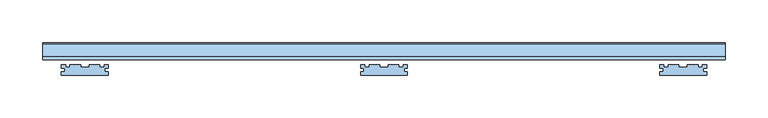
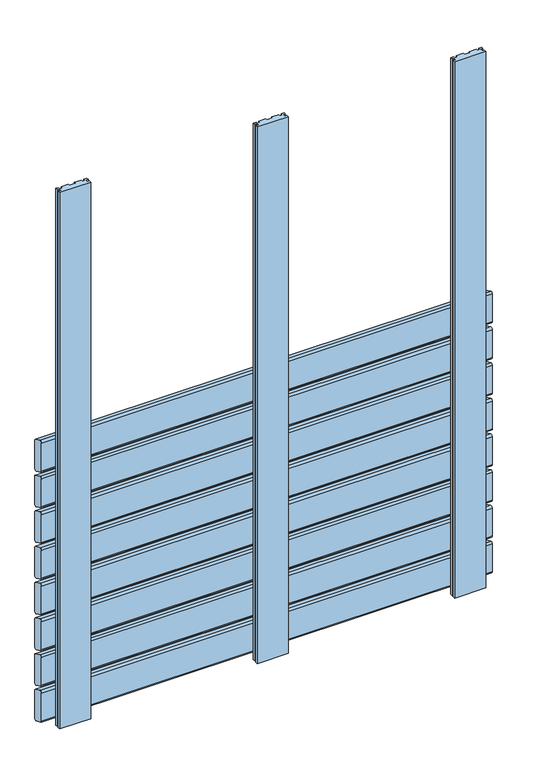
"""IFC4 building model written with IfcOpenShell, lengths in millimetres: window geometry."""

from ifc_helpers import new_model, si_unit, frame, origin, place, context, project, spatial, polyline, circle_curve, outline, extrude, source, transform, mapped, element, save
from ifc_brep_helpers import plane_surface, cylinder_surface, advanced_brep


def window_c9335974(model_context):
    return source(origin(), model_context, "Body", "SolidModel", [
        advanced_brep(
        [(400.0, 60.0028013, 580.5270549), (400.0, 61.7349465, 577.8081315), (400.0, 75.7322609, 571.2810766), (400.0, 80.0, 573.9736586), (400.0, 80.0, 626.574129), (400.0, 78.9038327, 628.8926244), (400.0, 64.1873858, 635.7550163), (400.0, 60.0, 633.0), (-400.0, 60.0, 580.5270549), (-400.0, 60.0, 633.0), (-400.0, 64.1873858, 635.7550163), (-400.0, 78.9038327, 628.8926244), (-400.0, 80.0, 626.574129), (-400.0, 80.0, 573.9736586), (-400.0, 75.7322609, 571.2810766), (-400.0, 61.7349465, 577.8081315)],
        [
            (0, 1, circle_curve(frame((400.0, 63.0028013, 580.5270549), z_axis=(1.0, 0.0, 0.0), x_axis=(0.0, -0.422245314833475, -0.9064816016341312)), 3.0)),
            (1, 2),
            (2, 3, circle_curve(frame((400.0, 77.0001156, 574.0), z_axis=(1.0, 0.0, 0.0), x_axis=(0.0, 1.0, 0.0)), 3.0)),
            (3, 4),
            (4, 5, circle_curve(frame((400.0, 77.0, 626.574129), z_axis=(1.0, 0.0, 0.0), x_axis=(0.0, 0.4172998244673827, 0.908768868579625)), 3.0)),
            (5, 6),
            (6, 7, circle_curve(frame((400.0, 63.0, 633.0), z_axis=(1.0, 0.0, 0.0), x_axis=(0.0, -1.0, 0.0)), 3.0)),
            (7, 0),
            (8, 9),
            (9, 10, circle_curve(frame((-400.0, 63.0, 633.0), z_axis=(-1.0, 0.0, 0.0), x_axis=(0.0, -1.0, 0.0)), 3.0)),
            (10, 11),
            (11, 12, circle_curve(frame((-400.0, 77.0, 626.574129), z_axis=(-1.0, 0.0, 0.0), x_axis=(0.0, 0.4172998244673827, 0.908768868579625)), 3.0)),
            (12, 13),
            (13, 14, circle_curve(frame((-400.0, 77.0001156, 574.0), z_axis=(-1.0, 0.0, 0.0), x_axis=(0.0, 1.0, 0.0)), 3.0)),
            (14, 15),
            (15, 8, circle_curve(frame((-400.0, 63.0028013, 580.5270549), z_axis=(-1.0, 0.0, 0.0), x_axis=(0.0, -0.422245314833475, -0.9064816016341312)), 3.0)),
            (0, 8),
            (15, 1),
            (14, 2),
            (13, 3),
            (12, 4),
            (11, 5),
            (10, 6),
            (9, 7),
        ],
        [
            plane_surface(frame((400.0, 100.0, 603.5), z_axis=(1.0, 0.0, 0.0), x_axis=(0.0, 0.0, 1.0))),
            plane_surface(frame((-400.0, 100.0, 603.5), z_axis=(-1.0, 0.0, 0.0), x_axis=(0.0, 0.0, 1.0))),
            cylinder_surface(frame((400.0, 63.0028013, 580.5270549), z_axis=(1.0, 0.0, 0.0), x_axis=(0.0, -0.422245314833475, -0.9064816016341312)), 3.0),
            plane_surface(frame((400.0, 61.7349465, 577.8081315), z_axis=(0.0, -0.4226182617407, -0.9063077870366497), x_axis=(-1.0, 0.0, 0.0))),
            cylinder_surface(frame((400.0, 77.0001156, 574.0), z_axis=(1.0, 0.0, 0.0), x_axis=(0.0, 1.0, 0.0)), 3.0),
            plane_surface(frame((400.0, 80.0, 573.9736586), z_axis=(0.0, 1.0, 0.0), x_axis=(-1.0, 0.0, 0.0))),
            cylinder_surface(frame((400.0, 77.0, 626.574129), z_axis=(1.0000000000000002, 0.0, 0.0), x_axis=(0.0, 0.4172998244673827, 0.908768868579625)), 3.0),
            plane_surface(frame((400.0, 78.9038327, 628.8926244), z_axis=(0.0, 0.4226182617406934, 0.9063077870366529), x_axis=(-1.0, 0.0, 0.0))),
            cylinder_surface(frame((400.0, 63.0, 633.0), z_axis=(1.0, 0.0, 0.0), x_axis=(0.0, -1.0, 0.0)), 3.0),
            plane_surface(frame((400.0, 60.0, 633.0), z_axis=(0.0, -1.0, 0.0), x_axis=(-1.0, 0.0, 0.0))),
        ],
        [
            (0, [[1, 2, 3, 4, 5, 6, 7, 8]]),
            (1, [[9, 10, 11, 12, 13, 14, 15, 16]]),
            (2, [[-1, 17, -16, 18]]),
            (3, [[-2, -18, -15, 19]]),
            (4, [[-3, -19, -14, 20]]),
            (5, [[-4, -20, -13, 21]]),
            (6, [[-5, -21, -12, 22]]),
            (7, [[-6, -22, -11, 23]]),
            (8, [[-7, -23, -10, 24]]),
            (9, [[-8, -24, -9, -17]]),
        ],
    ),
        advanced_brep(
        [(400.0, 60.0028013, 513.5270549), (400.0, 61.7349465, 510.8081315), (400.0, 75.7322609, 504.2810766), (400.0, 80.0, 506.9736586), (400.0, 80.0, 559.574129), (400.0, 78.9038327, 561.8926244), (400.0, 64.1873858, 568.7550163), (400.0, 60.0, 566.0), (-400.0, 60.0, 513.5270549), (-400.0, 60.0, 566.0), (-400.0, 64.1873858, 568.7550163), (-400.0, 78.9038327, 561.8926244), (-400.0, 80.0, 559.574129), (-400.0, 80.0, 506.9736586), (-400.0, 75.7322609, 504.2810766), (-400.0, 61.7349465, 510.8081315)],
        [
            (0, 1, circle_curve(frame((400.0, 63.0028013, 513.5270549), z_axis=(1.0, 0.0, 0.0), x_axis=(0.0, -0.422245314833475, -0.9064816016341312)), 3.0)),
            (1, 2),
            (2, 3, circle_curve(frame((400.0, 77.0001156, 507.0), z_axis=(1.0, 0.0, 0.0), x_axis=(0.0, 1.0, 0.0)), 3.0)),
            (3, 4),
            (4, 5, circle_curve(frame((400.0, 77.0, 559.574129), z_axis=(1.0, 0.0, 0.0), x_axis=(0.0, 0.4172998244673827, 0.908768868579625)), 3.0)),
            (5, 6),
            (6, 7, circle_curve(frame((400.0, 63.0, 566.0), z_axis=(1.0, 0.0, 0.0), x_axis=(0.0, -1.0, 0.0)), 3.0)),
            (7, 0),
            (8, 9),
            (9, 10, circle_curve(frame((-400.0, 63.0, 566.0), z_axis=(-1.0, 0.0, 0.0), x_axis=(0.0, -1.0, 0.0)), 3.0)),
            (10, 11),
            (11, 12, circle_curve(frame((-400.0, 77.0, 559.574129), z_axis=(-1.0, 0.0, 0.0), x_axis=(0.0, 0.4172998244673827, 0.908768868579625)), 3.0)),
            (12, 13),
            (13, 14, circle_curve(frame((-400.0, 77.0001156, 507.0), z_axis=(-1.0, 0.0, 0.0), x_axis=(0.0, 1.0, 0.0)), 3.0)),
            (14, 15),
            (15, 8, circle_curve(frame((-400.0, 63.0028013, 513.5270549), z_axis=(-1.0, 0.0, 0.0), x_axis=(0.0, -0.422245314833475, -0.9064816016341312)), 3.0)),
            (0, 8),
            (15, 1),
            (14, 2),
            (13, 3),
            (12, 4),
            (11, 5),
            (10, 6),
            (9, 7),
        ],
        [
            plane_surface(frame((400.0, 100.0, 536.5), z_axis=(1.0, 0.0, 0.0), x_axis=(0.0, 0.0, 1.0))),
            plane_surface(frame((-400.0, 100.0, 536.5), z_axis=(-1.0, 0.0, 0.0), x_axis=(0.0, 0.0, 1.0))),
            cylinder_surface(frame((400.0, 63.0028013, 513.5270549), z_axis=(1.0, 0.0, 0.0), x_axis=(0.0, -0.422245314833475, -0.9064816016341312)), 3.0),
            plane_surface(frame((400.0, 61.7349465, 510.8081315), z_axis=(0.0, -0.4226182617407, -0.9063077870366497), x_axis=(-1.0, 0.0, 0.0))),
            cylinder_surface(frame((400.0, 77.0001156, 507.0), z_axis=(1.0, 0.0, 0.0), x_axis=(0.0, 1.0, 0.0)), 3.0),
            plane_surface(frame((400.0, 80.0, 506.9736586), z_axis=(0.0, 1.0, 0.0), x_axis=(-1.0, 0.0, 0.0))),
            cylinder_surface(frame((400.0, 77.0, 559.574129), z_axis=(1.0000000000000002, 0.0, 0.0), x_axis=(0.0, 0.4172998244673827, 0.908768868579625)), 3.0),
            plane_surface(frame((400.0, 78.9038327, 561.8926244), z_axis=(0.0, 0.4226182617406934, 0.9063077870366529), x_axis=(-1.0, 0.0, 0.0))),
            cylinder_surface(frame((400.0, 63.0, 566.0), z_axis=(1.0, 0.0, 0.0), x_axis=(0.0, -1.0, 0.0)), 3.0),
            plane_surface(frame((400.0, 60.0, 566.0), z_axis=(0.0, -1.0, 0.0), x_axis=(-1.0, 0.0, 0.0))),
        ],
        [
            (0, [[1, 2, 3, 4, 5, 6, 7, 8]]),
            (1, [[9, 10, 11, 12, 13, 14, 15, 16]]),
            (2, [[-1, 17, -16, 18]]),
            (3, [[-2, -18, -15, 19]]),
            (4, [[-3, -19, -14, 20]]),
            (5, [[-4, -20, -13, 21]]),
            (6, [[-5, -21, -12, 22]]),
            (7, [[-6, -22, -11, 23]]),
            (8, [[-7, -23, -10, 24]]),
            (9, [[-8, -24, -9, -17]]),
        ],
    ),
        advanced_brep(
        [(400.0, 60.0028013, 446.5270549), (400.0, 61.7349465, 443.8081315), (400.0, 75.7322609, 437.2810766), (400.0, 80.0, 439.9736586), (400.0, 80.0, 492.574129), (400.0, 78.9038327, 494.8926244), (400.0, 64.1873858, 501.7550163), (400.0, 60.0, 499.0), (-400.0, 60.0, 446.5270549), (-400.0, 60.0, 499.0), (-400.0, 64.1873858, 501.7550163), (-400.0, 78.9038327, 494.8926244), (-400.0, 80.0, 492.574129), (-400.0, 80.0, 439.9736586), (-400.0, 75.7322609, 437.2810766), (-400.0, 61.7349465, 443.8081315)],
        [
            (0, 1, circle_curve(frame((400.0, 63.0028013, 446.5270549), z_axis=(1.0, 0.0, 0.0), x_axis=(0.0, -0.422245314833475, -0.9064816016341312)), 3.0)),
            (1, 2),
            (2, 3, circle_curve(frame((400.0, 77.0001156, 440.0), z_axis=(1.0, 0.0, 0.0), x_axis=(0.0, 1.0, 0.0)), 3.0)),
            (3, 4),
            (4, 5, circle_curve(frame((400.0, 77.0, 492.574129), z_axis=(1.0, 0.0, 0.0), x_axis=(0.0, 0.4172998244673827, 0.908768868579625)), 3.0)),
            (5, 6),
            (6, 7, circle_curve(frame((400.0, 63.0, 499.0), z_axis=(1.0, 0.0, 0.0), x_axis=(0.0, -1.0, 0.0)), 3.0)),
            (7, 0),
            (8, 9),
            (9, 10, circle_curve(frame((-400.0, 63.0, 499.0), z_axis=(-1.0, 0.0, 0.0), x_axis=(0.0, -1.0, 0.0)), 3.0)),
            (10, 11),
            (11, 12, circle_curve(frame((-400.0, 77.0, 492.574129), z_axis=(-1.0, 0.0, 0.0), x_axis=(0.0, 0.4172998244673827, 0.908768868579625)), 3.0)),
            (12, 13),
            (13, 14, circle_curve(frame((-400.0, 77.0001156, 440.0), z_axis=(-1.0, 0.0, 0.0), x_axis=(0.0, 1.0, 0.0)), 3.0)),
            (14, 15),
            (15, 8, circle_curve(frame((-400.0, 63.0028013, 446.5270549), z_axis=(-1.0, 0.0, 0.0), x_axis=(0.0, -0.422245314833475, -0.9064816016341312)), 3.0)),
            (0, 8),
            (15, 1),
            (14, 2),
            (13, 3),
            (12, 4),
            (11, 5),
            (10, 6),
            (9, 7),
        ],
        [
            plane_surface(frame((400.0, 100.0, 469.5), z_axis=(1.0, 0.0, 0.0), x_axis=(0.0, 0.0, 1.0))),
            plane_surface(frame((-400.0, 100.0, 469.5), z_axis=(-1.0, 0.0, 0.0), x_axis=(0.0, 0.0, 1.0))),
            cylinder_surface(frame((400.0, 63.0028013, 446.5270549), z_axis=(1.0, 0.0, 0.0), x_axis=(0.0, -0.422245314833475, -0.9064816016341312)), 3.0),
            plane_surface(frame((400.0, 61.7349465, 443.8081315), z_axis=(0.0, -0.4226182617407, -0.9063077870366497), x_axis=(-1.0, 0.0, 0.0))),
            cylinder_surface(frame((400.0, 77.0001156, 440.0), z_axis=(1.0, 0.0, 0.0), x_axis=(0.0, 1.0, 0.0)), 3.0),
            plane_surface(frame((400.0, 80.0, 439.9736586), z_axis=(0.0, 1.0, 0.0), x_axis=(-1.0, 0.0, 0.0))),
            cylinder_surface(frame((400.0, 77.0, 492.574129), z_axis=(1.0000000000000002, 0.0, 0.0), x_axis=(0.0, 0.4172998244673827, 0.908768868579625)), 3.0),
            plane_surface(frame((400.0, 78.9038327, 494.8926244), z_axis=(0.0, 0.4226182617406934, 0.9063077870366529), x_axis=(-1.0, 0.0, 0.0))),
            cylinder_surface(frame((400.0, 63.0, 499.0), z_axis=(1.0, 0.0, 0.0), x_axis=(0.0, -1.0, 0.0)), 3.0),
            plane_surface(frame((400.0, 60.0, 499.0), z_axis=(0.0, -1.0, 0.0), x_axis=(-1.0, 0.0, 0.0))),
        ],
        [
            (0, [[1, 2, 3, 4, 5, 6, 7, 8]]),
            (1, [[9, 10, 11, 12, 13, 14, 15, 16]]),
            (2, [[-1, 17, -16, 18]]),
            (3, [[-2, -18, -15, 19]]),
            (4, [[-3, -19, -14, 20]]),
            (5, [[-4, -20, -13, 21]]),
            (6, [[-5, -21, -12, 22]]),
            (7, [[-6, -22, -11, 23]]),
            (8, [[-7, -23, -10, 24]]),
            (9, [[-8, -24, -9, -17]]),
        ],
    ),
        advanced_brep(
        [(400.0, 60.0028013, 379.5270549), (400.0, 61.7349465, 376.8081315), (400.0, 75.7322609, 370.2810766), (400.0, 80.0, 372.9736586), (400.0, 80.0, 425.574129), (400.0, 78.9038327, 427.8926244), (400.0, 64.1873858, 434.7550163), (400.0, 60.0, 432.0), (-400.0, 60.0, 379.5270549), (-400.0, 60.0, 432.0), (-400.0, 64.1873858, 434.7550163), (-400.0, 78.9038327, 427.8926244), (-400.0, 80.0, 425.574129), (-400.0, 80.0, 372.9736586), (-400.0, 75.7322609, 370.2810766), (-400.0, 61.7349465, 376.8081315)],
        [
            (0, 1, circle_curve(frame((400.0, 63.0028013, 379.5270549), z_axis=(1.0, 0.0, 0.0), x_axis=(0.0, -0.422245314833475, -0.9064816016341312)), 3.0)),
            (1, 2),
            (2, 3, circle_curve(frame((400.0, 77.0001156, 373.0), z_axis=(1.0, 0.0, 0.0), x_axis=(0.0, 1.0, 0.0)), 3.0)),
            (3, 4),
            (4, 5, circle_curve(frame((400.0, 77.0, 425.574129), z_axis=(1.0, 0.0, 0.0), x_axis=(0.0, 0.4172998244673827, 0.908768868579625)), 3.0)),
            (5, 6),
            (6, 7, circle_curve(frame((400.0, 63.0, 432.0), z_axis=(1.0, 0.0, 0.0), x_axis=(0.0, -1.0, 0.0)), 3.0)),
            (7, 0),
            (8, 9),
            (9, 10, circle_curve(frame((-400.0, 63.0, 432.0), z_axis=(-1.0, 0.0, 0.0), x_axis=(0.0, -1.0, 0.0)), 3.0)),
            (10, 11),
            (11, 12, circle_curve(frame((-400.0, 77.0, 425.574129), z_axis=(-1.0, 0.0, 0.0), x_axis=(0.0, 0.4172998244673827, 0.908768868579625)), 3.0)),
            (12, 13),
            (13, 14, circle_curve(frame((-400.0, 77.0001156, 373.0), z_axis=(-1.0, 0.0, 0.0), x_axis=(0.0, 1.0, 0.0)), 3.0)),
            (14, 15),
            (15, 8, circle_curve(frame((-400.0, 63.0028013, 379.5270549), z_axis=(-1.0, 0.0, 0.0), x_axis=(0.0, -0.422245314833475, -0.9064816016341312)), 3.0)),
            (0, 8),
            (15, 1),
            (14, 2),
            (13, 3),
            (12, 4),
            (11, 5),
            (10, 6),
            (9, 7),
        ],
        [
            plane_surface(frame((400.0, 100.0, 402.5), z_axis=(1.0, 0.0, 0.0), x_axis=(0.0, 0.0, 1.0))),
            plane_surface(frame((-400.0, 100.0, 402.5), z_axis=(-1.0, 0.0, 0.0), x_axis=(0.0, 0.0, 1.0))),
            cylinder_surface(frame((400.0, 63.0028013, 379.5270549), z_axis=(1.0, 0.0, 0.0), x_axis=(0.0, -0.422245314833475, -0.9064816016341312)), 3.0),
            plane_surface(frame((400.0, 61.7349465, 376.8081315), z_axis=(0.0, -0.4226182617407, -0.9063077870366497), x_axis=(-1.0, 0.0, 0.0))),
            cylinder_surface(frame((400.0, 77.0001156, 373.0), z_axis=(1.0, 0.0, 0.0), x_axis=(0.0, 1.0, 0.0)), 3.0),
            plane_surface(frame((400.0, 80.0, 372.9736586), z_axis=(0.0, 1.0, 0.0), x_axis=(-1.0, 0.0, 0.0))),
            cylinder_surface(frame((400.0, 77.0, 425.574129), z_axis=(1.0000000000000002, 0.0, 0.0), x_axis=(0.0, 0.4172998244673827, 0.908768868579625)), 3.0),
            plane_surface(frame((400.0, 78.9038327, 427.8926244), z_axis=(0.0, 0.4226182617406934, 0.9063077870366529), x_axis=(-1.0, 0.0, 0.0))),
            cylinder_surface(frame((400.0, 63.0, 432.0), z_axis=(1.0, 0.0, 0.0), x_axis=(0.0, -1.0, 0.0)), 3.0),
            plane_surface(frame((400.0, 60.0, 432.0), z_axis=(0.0, -1.0, 0.0), x_axis=(-1.0, 0.0, 0.0))),
        ],
        [
            (0, [[1, 2, 3, 4, 5, 6, 7, 8]]),
            (1, [[9, 10, 11, 12, 13, 14, 15, 16]]),
            (2, [[-1, 17, -16, 18]]),
            (3, [[-2, -18, -15, 19]]),
            (4, [[-3, -19, -14, 20]]),
            (5, [[-4, -20, -13, 21]]),
            (6, [[-5, -21, -12, 22]]),
            (7, [[-6, -22, -11, 23]]),
            (8, [[-7, -23, -10, 24]]),
            (9, [[-8, -24, -9, -17]]),
        ],
    ),
        advanced_brep(
        [(400.0, 60.0028013, 312.5270549), (400.0, 61.7349465, 309.8081315), (400.0, 75.7322609, 303.2810766), (400.0, 80.0, 305.9736586), (400.0, 80.0, 358.574129), (400.0, 78.9038327, 360.8926244), (400.0, 64.1873858, 367.7550163), (400.0, 60.0, 365.0), (-400.0, 60.0, 312.5270549), (-400.0, 60.0, 365.0), (-400.0, 64.1873858, 367.7550163), (-400.0, 78.9038327, 360.8926244), (-400.0, 80.0, 358.574129), (-400.0, 80.0, 305.9736586), (-400.0, 75.7322609, 303.2810766), (-400.0, 61.7349465, 309.8081315)],
        [
            (0, 1, circle_curve(frame((400.0, 63.0028013, 312.5270549), z_axis=(1.0, 0.0, 0.0), x_axis=(0.0, -0.422245314833475, -0.9064816016341312)), 3.0)),
            (1, 2),
            (2, 3, circle_curve(frame((400.0, 77.0001156, 306.0), z_axis=(1.0, 0.0, 0.0), x_axis=(0.0, 1.0, 0.0)), 3.0)),
            (3, 4),
            (4, 5, circle_curve(frame((400.0, 77.0, 358.574129), z_axis=(1.0, 0.0, 0.0), x_axis=(0.0, 0.4172998244673827, 0.908768868579625)), 3.0)),
            (5, 6),
            (6, 7, circle_curve(frame((400.0, 63.0, 365.0), z_axis=(1.0, 0.0, 0.0), x_axis=(0.0, -1.0, 0.0)), 3.0)),
            (7, 0),
            (8, 9),
            (9, 10, circle_curve(frame((-400.0, 63.0, 365.0), z_axis=(-1.0, 0.0, 0.0), x_axis=(0.0, -1.0, 0.0)), 3.0)),
            (10, 11),
            (11, 12, circle_curve(frame((-400.0, 77.0, 358.574129), z_axis=(-1.0, 0.0, 0.0), x_axis=(0.0, 0.4172998244673827, 0.908768868579625)), 3.0)),
            (12, 13),
            (13, 14, circle_curve(frame((-400.0, 77.0001156, 306.0), z_axis=(-1.0, 0.0, 0.0), x_axis=(0.0, 1.0, 0.0)), 3.0)),
            (14, 15),
            (15, 8, circle_curve(frame((-400.0, 63.0028013, 312.5270549), z_axis=(-1.0, 0.0, 0.0), x_axis=(0.0, -0.422245314833475, -0.9064816016341312)), 3.0)),
            (0, 8),
            (15, 1),
            (14, 2),
            (13, 3),
            (12, 4),
            (11, 5),
            (10, 6),
            (9, 7),
        ],
        [
            plane_surface(frame((400.0, 100.0, 335.5), z_axis=(1.0, 0.0, 0.0), x_axis=(0.0, 0.0, 1.0))),
            plane_surface(frame((-400.0, 100.0, 335.5), z_axis=(-1.0, 0.0, 0.0), x_axis=(0.0, 0.0, 1.0))),
            cylinder_surface(frame((400.0, 63.0028013, 312.5270549), z_axis=(1.0, 0.0, 0.0), x_axis=(0.0, -0.422245314833475, -0.9064816016341312)), 3.0),
            plane_surface(frame((400.0, 61.7349465, 309.8081315), z_axis=(0.0, -0.4226182617407, -0.9063077870366497), x_axis=(-1.0, 0.0, 0.0))),
            cylinder_surface(frame((400.0, 77.0001156, 306.0), z_axis=(1.0, 0.0, 0.0), x_axis=(0.0, 1.0, 0.0)), 3.0),
            plane_surface(frame((400.0, 80.0, 305.9736586), z_axis=(0.0, 1.0, 0.0), x_axis=(-1.0, 0.0, 0.0))),
            cylinder_surface(frame((400.0, 77.0, 358.574129), z_axis=(1.0000000000000002, 0.0, 0.0), x_axis=(0.0, 0.4172998244673827, 0.908768868579625)), 3.0),
            plane_surface(frame((400.0, 78.9038327, 360.8926244), z_axis=(0.0, 0.4226182617406934, 0.9063077870366529), x_axis=(-1.0, 0.0, 0.0))),
            cylinder_surface(frame((400.0, 63.0, 365.0), z_axis=(1.0, 0.0, 0.0), x_axis=(0.0, -1.0, 0.0)), 3.0),
            plane_surface(frame((400.0, 60.0, 365.0), z_axis=(0.0, -1.0, 0.0), x_axis=(-1.0, 0.0, 0.0))),
        ],
        [
            (0, [[1, 2, 3, 4, 5, 6, 7, 8]]),
            (1, [[9, 10, 11, 12, 13, 14, 15, 16]]),
            (2, [[-1, 17, -16, 18]]),
            (3, [[-2, -18, -15, 19]]),
            (4, [[-3, -19, -14, 20]]),
            (5, [[-4, -20, -13, 21]]),
            (6, [[-5, -21, -12, 22]]),
            (7, [[-6, -22, -11, 23]]),
            (8, [[-7, -23, -10, 24]]),
            (9, [[-8, -24, -9, -17]]),
        ],
    ),
        advanced_brep(
        [(400.0, 60.0028013, 245.5270549), (400.0, 61.7349465, 242.8081315), (400.0, 75.7322609, 236.2810766), (400.0, 80.0, 238.9736586), (400.0, 80.0, 291.574129), (400.0, 78.9038327, 293.8926244), (400.0, 64.1873858, 300.7550163), (400.0, 60.0, 298.0), (-400.0, 60.0, 245.5270549), (-400.0, 60.0, 298.0), (-400.0, 64.1873858, 300.7550163), (-400.0, 78.9038327, 293.8926244), (-400.0, 80.0, 291.574129), (-400.0, 80.0, 238.9736586), (-400.0, 75.7322609, 236.2810766), (-400.0, 61.7349465, 242.8081315)],
        [
            (0, 1, circle_curve(frame((400.0, 63.0028013, 245.5270549), z_axis=(1.0, 0.0, 0.0), x_axis=(0.0, -0.422245314833475, -0.9064816016341312)), 3.0)),
            (1, 2),
            (2, 3, circle_curve(frame((400.0, 77.0001156, 239.0), z_axis=(1.0, 0.0, 0.0), x_axis=(0.0, 1.0, 0.0)), 3.0)),
            (3, 4),
            (4, 5, circle_curve(frame((400.0, 77.0, 291.574129), z_axis=(1.0, 0.0, 0.0), x_axis=(0.0, 0.4172998244673827, 0.908768868579625)), 3.0)),
            (5, 6),
            (6, 7, circle_curve(frame((400.0, 63.0, 298.0), z_axis=(1.0, 0.0, 0.0), x_axis=(0.0, -1.0, 0.0)), 3.0)),
            (7, 0),
            (8, 9),
            (9, 10, circle_curve(frame((-400.0, 63.0, 298.0), z_axis=(-1.0, 0.0, 0.0), x_axis=(0.0, -1.0, 0.0)), 3.0)),
            (10, 11),
            (11, 12, circle_curve(frame((-400.0, 77.0, 291.574129), z_axis=(-1.0, 0.0, 0.0), x_axis=(0.0, 0.4172998244673827, 0.908768868579625)), 3.0)),
            (12, 13),
            (13, 14, circle_curve(frame((-400.0, 77.0001156, 239.0), z_axis=(-1.0, 0.0, 0.0), x_axis=(0.0, 1.0, 0.0)), 3.0)),
            (14, 15),
            (15, 8, circle_curve(frame((-400.0, 63.0028013, 245.5270549), z_axis=(-1.0, 0.0, 0.0), x_axis=(0.0, -0.422245314833475, -0.9064816016341312)), 3.0)),
            (0, 8),
            (15, 1),
            (14, 2),
            (13, 3),
            (12, 4),
            (11, 5),
            (10, 6),
            (9, 7),
        ],
        [
            plane_surface(frame((400.0, 100.0, 268.5), z_axis=(1.0, 0.0, 0.0), x_axis=(0.0, 0.0, 1.0))),
            plane_surface(frame((-400.0, 100.0, 268.5), z_axis=(-1.0, 0.0, 0.0), x_axis=(0.0, 0.0, 1.0))),
            cylinder_surface(frame((400.0, 63.0028013, 245.5270549), z_axis=(1.0, 0.0, 0.0), x_axis=(0.0, -0.422245314833475, -0.9064816016341312)), 3.0),
            plane_surface(frame((400.0, 61.7349465, 242.8081315), z_axis=(0.0, -0.4226182617407, -0.9063077870366497), x_axis=(-1.0, 0.0, 0.0))),
            cylinder_surface(frame((400.0, 77.0001156, 239.0), z_axis=(1.0, 0.0, 0.0), x_axis=(0.0, 1.0, 0.0)), 3.0),
            plane_surface(frame((400.0, 80.0, 238.9736586), z_axis=(0.0, 1.0, 0.0), x_axis=(-1.0, 0.0, 0.0))),
            cylinder_surface(frame((400.0, 77.0, 291.574129), z_axis=(1.0000000000000002, 0.0, 0.0), x_axis=(0.0, 0.4172998244673827, 0.908768868579625)), 3.0),
            plane_surface(frame((400.0, 78.9038327, 293.8926244), z_axis=(0.0, 0.4226182617406934, 0.9063077870366529), x_axis=(-1.0, 0.0, 0.0))),
            cylinder_surface(frame((400.0, 63.0, 298.0), z_axis=(1.0, 0.0, 0.0), x_axis=(0.0, -1.0, 0.0)), 3.0),
            plane_surface(frame((400.0, 60.0, 298.0), z_axis=(0.0, -1.0, 0.0), x_axis=(-1.0, 0.0, 0.0))),
        ],
        [
            (0, [[1, 2, 3, 4, 5, 6, 7, 8]]),
            (1, [[9, 10, 11, 12, 13, 14, 15, 16]]),
            (2, [[-1, 17, -16, 18]]),
            (3, [[-2, -18, -15, 19]]),
            (4, [[-3, -19, -14, 20]]),
            (5, [[-4, -20, -13, 21]]),
            (6, [[-5, -21, -12, 22]]),
            (7, [[-6, -22, -11, 23]]),
            (8, [[-7, -23, -10, 24]]),
            (9, [[-8, -24, -9, -17]]),
        ],
    ),
        advanced_brep(
        [(400.0, 60.0028013, 178.5270549), (400.0, 61.7349465, 175.8081315), (400.0, 75.7322609, 169.2810766), (400.0, 80.0, 171.9736586), (400.0, 80.0, 224.574129), (400.0, 78.9038327, 226.8926244), (400.0, 64.1873858, 233.7550163), (400.0, 60.0, 231.0), (-400.0, 60.0, 178.5270549), (-400.0, 60.0, 231.0), (-400.0, 64.1873858, 233.7550163), (-400.0, 78.9038327, 226.8926244), (-400.0, 80.0, 224.574129), (-400.0, 80.0, 171.9736586), (-400.0, 75.7322609, 169.2810766), (-400.0, 61.7349465, 175.8081315)],
        [
            (0, 1, circle_curve(frame((400.0, 63.0028013, 178.5270549), z_axis=(1.0, 0.0, 0.0), x_axis=(0.0, -0.422245314833475, -0.9064816016341312)), 3.0)),
            (1, 2),
            (2, 3, circle_curve(frame((400.0, 77.0001156, 172.0), z_axis=(1.0, 0.0, 0.0), x_axis=(0.0, 1.0, 0.0)), 3.0)),
            (3, 4),
            (4, 5, circle_curve(frame((400.0, 77.0, 224.574129), z_axis=(1.0, 0.0, 0.0), x_axis=(0.0, 0.4172998244673827, 0.908768868579625)), 3.0)),
            (5, 6),
            (6, 7, circle_curve(frame((400.0, 63.0, 231.0), z_axis=(1.0, 0.0, 0.0), x_axis=(0.0, -1.0, 0.0)), 3.0)),
            (7, 0),
            (8, 9),
            (9, 10, circle_curve(frame((-400.0, 63.0, 231.0), z_axis=(-1.0, 0.0, 0.0), x_axis=(0.0, -1.0, 0.0)), 3.0)),
            (10, 11),
            (11, 12, circle_curve(frame((-400.0, 77.0, 224.574129), z_axis=(-1.0, 0.0, 0.0), x_axis=(0.0, 0.4172998244673827, 0.908768868579625)), 3.0)),
            (12, 13),
            (13, 14, circle_curve(frame((-400.0, 77.0001156, 172.0), z_axis=(-1.0, 0.0, 0.0), x_axis=(0.0, 1.0, 0.0)), 3.0)),
            (14, 15),
            (15, 8, circle_curve(frame((-400.0, 63.0028013, 178.5270549), z_axis=(-1.0, 0.0, 0.0), x_axis=(0.0, -0.422245314833475, -0.9064816016341312)), 3.0)),
            (0, 8),
            (15, 1),
            (14, 2),
            (13, 3),
            (12, 4),
            (11, 5),
            (10, 6),
            (9, 7),
        ],
        [
            plane_surface(frame((400.0, 100.0, 201.5), z_axis=(1.0, 0.0, 0.0), x_axis=(0.0, 0.0, 1.0))),
            plane_surface(frame((-400.0, 100.0, 201.5), z_axis=(-1.0, 0.0, 0.0), x_axis=(0.0, 0.0, 1.0))),
            cylinder_surface(frame((400.0, 63.0028013, 178.5270549), z_axis=(1.0, 0.0, 0.0), x_axis=(0.0, -0.422245314833475, -0.9064816016341312)), 3.0),
            plane_surface(frame((400.0, 61.7349465, 175.8081315), z_axis=(0.0, -0.4226182617407, -0.9063077870366497), x_axis=(-1.0, 0.0, 0.0))),
            cylinder_surface(frame((400.0, 77.0001156, 172.0), z_axis=(1.0, 0.0, 0.0), x_axis=(0.0, 1.0, 0.0)), 3.0),
            plane_surface(frame((400.0, 80.0, 171.9736586), z_axis=(0.0, 1.0, 0.0), x_axis=(-1.0, 0.0, 0.0))),
            cylinder_surface(frame((400.0, 77.0, 224.574129), z_axis=(1.0000000000000002, 0.0, 0.0), x_axis=(0.0, 0.4172998244673827, 0.908768868579625)), 3.0),
            plane_surface(frame((400.0, 78.9038327, 226.8926244), z_axis=(0.0, 0.4226182617406934, 0.9063077870366529), x_axis=(-1.0, 0.0, 0.0))),
            cylinder_surface(frame((400.0, 63.0, 231.0), z_axis=(1.0, 0.0, 0.0), x_axis=(0.0, -1.0, 0.0)), 3.0),
            plane_surface(frame((400.0, 60.0, 231.0), z_axis=(0.0, -1.0, 0.0), x_axis=(-1.0, 0.0, 0.0))),
        ],
        [
            (0, [[1, 2, 3, 4, 5, 6, 7, 8]]),
            (1, [[9, 10, 11, 12, 13, 14, 15, 16]]),
            (2, [[-1, 17, -16, 18]]),
            (3, [[-2, -18, -15, 19]]),
            (4, [[-3, -19, -14, 20]]),
            (5, [[-4, -20, -13, 21]]),
            (6, [[-5, -21, -12, 22]]),
            (7, [[-6, -22, -11, 23]]),
            (8, [[-7, -23, -10, 24]]),
            (9, [[-8, -24, -9, -17]]),
        ],
    ),
        advanced_brep(
        [(400.0, 60.0028013, 111.5270549), (400.0, 61.7349465, 108.8081315), (400.0, 75.7322609, 102.2810766), (400.0, 80.0, 104.9736586), (400.0, 80.0, 157.574129), (400.0, 78.9038327, 159.8926244), (400.0, 64.1873858, 166.7550163), (400.0, 60.0, 164.0), (-400.0, 60.0, 111.5270549), (-400.0, 60.0, 164.0), (-400.0, 64.1873858, 166.7550163), (-400.0, 78.9038327, 159.8926244), (-400.0, 80.0, 157.574129), (-400.0, 80.0, 104.9736586), (-400.0, 75.7322609, 102.2810766), (-400.0, 61.7349465, 108.8081315)],
        [
            (0, 1, circle_curve(frame((400.0, 63.0028013, 111.5270549), z_axis=(1.0, 0.0, 0.0), x_axis=(0.0, -0.422245314833475, -0.9064816016341312)), 3.0)),
            (1, 2),
            (2, 3, circle_curve(frame((400.0, 77.0001156, 105.0), z_axis=(1.0, 0.0, 0.0), x_axis=(0.0, 1.0, 0.0)), 3.0)),
            (3, 4),
            (4, 5, circle_curve(frame((400.0, 77.0, 157.574129), z_axis=(1.0, 0.0, 0.0), x_axis=(0.0, 0.4172998244673827, 0.908768868579625)), 3.0)),
            (5, 6),
            (6, 7, circle_curve(frame((400.0, 63.0, 164.0), z_axis=(1.0, 0.0, 0.0), x_axis=(0.0, -1.0, 0.0)), 3.0)),
            (7, 0),
            (8, 9),
            (9, 10, circle_curve(frame((-400.0, 63.0, 164.0), z_axis=(-1.0, 0.0, 0.0), x_axis=(0.0, -1.0, 0.0)), 3.0)),
            (10, 11),
            (11, 12, circle_curve(frame((-400.0, 77.0, 157.574129), z_axis=(-1.0, 0.0, 0.0), x_axis=(0.0, 0.4172998244673827, 0.908768868579625)), 3.0)),
            (12, 13),
            (13, 14, circle_curve(frame((-400.0, 77.0001156, 105.0), z_axis=(-1.0, 0.0, 0.0), x_axis=(0.0, 1.0, 0.0)), 3.0)),
            (14, 15),
            (15, 8, circle_curve(frame((-400.0, 63.0028013, 111.5270549), z_axis=(-1.0, 0.0, 0.0), x_axis=(0.0, -0.422245314833475, -0.9064816016341312)), 3.0)),
            (0, 8),
            (15, 1),
            (14, 2),
            (13, 3),
            (12, 4),
            (11, 5),
            (10, 6),
            (9, 7),
        ],
        [
            plane_surface(frame((400.0, 100.0, 100.0), z_axis=(1.0, 0.0, 0.0), x_axis=(0.0, 0.0, 1.0))),
            plane_surface(frame((-400.0, 100.0, 100.0), z_axis=(-1.0, 0.0, 0.0), x_axis=(0.0, 0.0, 1.0))),
            cylinder_surface(frame((400.0, 63.0028013, 111.5270549), z_axis=(1.0, 0.0, 0.0), x_axis=(0.0, -0.422245314833475, -0.9064816016341312)), 3.0),
            plane_surface(frame((400.0, 61.7349465, 108.8081315), z_axis=(0.0, -0.4226182617407, -0.9063077870366497), x_axis=(-1.0, 0.0, 0.0))),
            cylinder_surface(frame((400.0, 77.0001156, 105.0), z_axis=(1.0, 0.0, 0.0), x_axis=(0.0, 1.0, 0.0)), 3.0),
            plane_surface(frame((400.0, 80.0, 104.9736586), z_axis=(0.0, 1.0, 0.0), x_axis=(-1.0, 0.0, 0.0))),
            cylinder_surface(frame((400.0, 77.0, 157.574129), z_axis=(1.0000000000000002, 0.0, 0.0), x_axis=(0.0, 0.4172998244673827, 0.908768868579625)), 3.0),
            plane_surface(frame((400.0, 78.9038327, 159.8926244), z_axis=(0.0, 0.4226182617406934, 0.9063077870366529), x_axis=(-1.0, 0.0, 0.0))),
            cylinder_surface(frame((400.0, 63.0, 164.0), z_axis=(1.0, 0.0, 0.0), x_axis=(0.0, -1.0, 0.0)), 3.0),
            plane_surface(frame((400.0, 60.0, 164.0), z_axis=(0.0, -1.0, 0.0), x_axis=(-1.0, 0.0, 0.0))),
        ],
        [
            (0, [[1, 2, 3, 4, 5, 6, 7, 8]]),
            (1, [[9, 10, 11, 12, 13, 14, 15, 16]]),
            (2, [[-1, 17, -16, 18]]),
            (3, [[-2, -18, -15, 19]]),
            (4, [[-3, -19, -14, 20]]),
            (5, [[-4, -20, -13, 21]]),
            (6, [[-5, -21, -12, 22]]),
            (7, [[-6, -22, -11, 23]]),
            (8, [[-7, -23, -10, 24]]),
            (9, [[-8, -24, -9, -17]]),
        ],
    ),
        extrude(outline(polyline([(-27.5063196, 42.1), (-27.5063196, 46.1), (-23.5063196, 46.1), (-23.5063196, 50.1), (-27.5063196, 50.1), (-27.5063196, 54.1), (-22.5063196, 54.1), (-22.5063196, 51.1), (-17.5063196, 51.1), (-17.5063196, 54.1), (-5.0063196, 54.1), (-5.0063196, 51.1), (4.9936804, 51.1), (4.9936804, 54.1), (17.4936804, 54.1), (17.4936804, 51.1), (22.4936804, 51.1), (22.4936804, 54.1), (27.4936804, 54.1), (27.4936804, 50.1), (23.4936804, 50.1), (23.4936804, 46.1), (27.4936804, 46.1), (27.4936804, 42.1), (-27.5063196, 42.1)])), frame((0.0, 0.0, 100.0), z_axis=(0.0, 0.0, 1.0), x_axis=(1.0, 0.0, 0.0)), (0.0, 0.0, 1.0), 1007.0),
        extrude(outline(polyline([(-378.0, 42.0), (-378.0, 46.0), (-374.0, 46.0), (-374.0, 50.0), (-378.0, 50.0), (-378.0, 54.0), (-373.0, 54.0), (-373.0, 51.0), (-368.0, 51.0), (-368.0, 54.0), (-355.5, 54.0), (-355.5, 51.0), (-345.5, 51.0), (-345.5, 54.0), (-333.0, 54.0), (-333.0, 51.0), (-328.0, 51.0), (-328.0, 54.0), (-323.0, 54.0), (-323.0, 50.0), (-327.0, 50.0), (-327.0, 46.0), (-323.0, 46.0), (-323.0, 42.0), (-378.0, 42.0)])), frame((0.0, 0.0, 100.0), z_axis=(0.0, 0.0, 1.0), x_axis=(1.0, 0.0, 0.0)), (0.0, 0.0, 1.0), 1007.0),
        extrude(outline(polyline([(323.0, 42.0), (323.0, 46.0), (327.0, 46.0), (327.0, 50.0), (323.0, 50.0), (323.0, 54.0), (328.0, 54.0), (328.0, 51.0), (333.0, 51.0), (333.0, 54.0), (345.5, 54.0), (345.5, 51.0), (355.5, 51.0), (355.5, 54.0), (368.0, 54.0), (368.0, 51.0), (373.0, 51.0), (373.0, 54.0), (378.0, 54.0), (378.0, 50.0), (374.0, 50.0), (374.0, 46.0), (378.0, 46.0), (378.0, 42.0), (323.0, 42.0)])), frame((0.0, 0.0, 100.0), z_axis=(0.0, 0.0, 1.0), x_axis=(1.0, 0.0, 0.0)), (0.0, 0.0, 1.0), 1007.0),
    ])


if __name__ == "__main__":
    model = new_model("IFC4")
    model_context = context("Model", 3, world=origin())
    ifc_project = project(units=[si_unit("LENGTHUNIT", "METRE", prefix="MILLI")], contexts=[model_context])
    site = spatial("IfcSite", under=ifc_project)
    building = spatial("IfcBuilding", under=site)
    placement = place(None, origin())
    window_shape = window_c9335974(model_context)
    element("IfcWindow", 1, at=placement, inside=building, context=model_context, shape_type="MappedRepresentation", body=[
        mapped(window_shape, transform((0.0, 0.0, 0.0), x_axis=(1.0, 0.0, 0.0), y_axis=(0.0, 1.0, 0.0), z_axis=(0.0, 0.0, 1.0))),
    ])
    save(model, "model.ifc")
